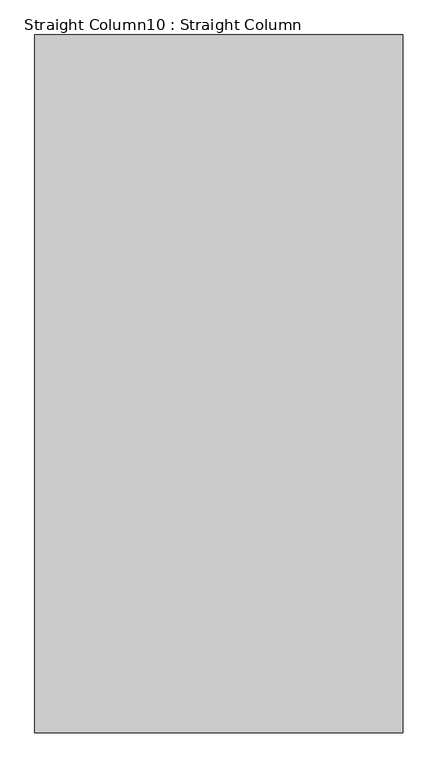
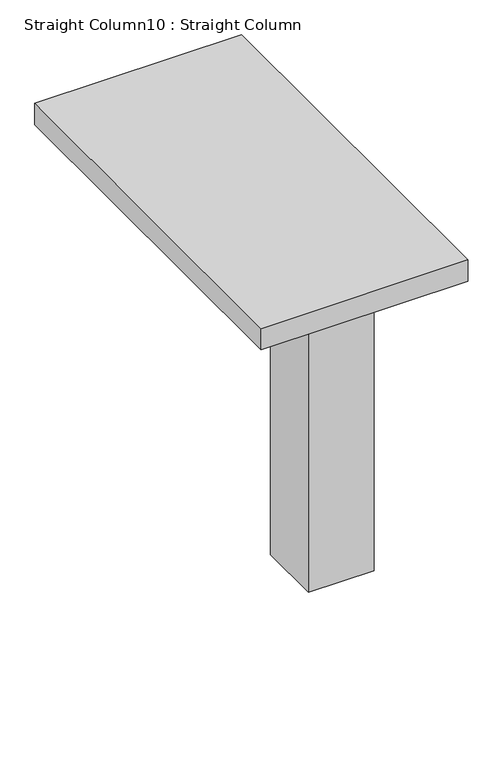
"""IFC4 building model written with IfcOpenShell, lengths in millimetres: column geometry, Straight Column10 : Straight Column."""

from ifc_helpers import new_model, si_unit, frame, origin, origin_with_axes, place, context, project, spatial, polyline, outline, extrude, source, transform, mapped, element, save


def straight_column10_straight_column_0baf0599(model_context):
    return source(origin(), model_context, "Body", "SweptSolid", [
        extrude(outline(polyline([(17831.4351689, 8229.6), (16383.636714, 8229.6), (16383.636714, 10972.8), (17831.4351689, 10972.8), (17831.4351689, 8229.6)])), frame((0.0, 0.0, 2832.1), z_axis=(0.0, 0.0, 1.0), x_axis=(1.0, 0.0, 0.0)), (0.0, 0.0, 1.0), 158.75),
        extrude(outline(polyline([(17831.4351689, 9372.6), (17374.2351689, 9372.6), (17374.2351689, 9829.8), (17831.4351689, 9829.8), (17831.4351689, 9372.6)])), origin_with_axes(), (0.0, 0.0, 1.0), 2832.1),
    ])


if __name__ == "__main__":
    model = new_model("IFC4")
    model_context = context("Model", 3, world=origin())
    ifc_project = project(units=[si_unit("LENGTHUNIT", "METRE", prefix="MILLI")], contexts=[model_context])
    site = spatial("IfcSite", under=ifc_project)
    building = spatial("IfcBuilding", under=site)
    placement = place(None, origin())
    straight_column10_straight_column_shape = straight_column10_straight_column_0baf0599(model_context)
    element("IfcColumn", 1, ObjectType="Straight Column10 : Straight Column", at=placement, inside=building, context=model_context, shape_type="MappedRepresentation", body=[
        mapped(straight_column10_straight_column_shape, transform((0.0, 0.0, 0.0), x_axis=(1.0, 0.0, 0.0), y_axis=(0.0, 1.0, 0.0), z_axis=(0.0, 0.0, 1.0))),
    ])
    save(model, "model.ifc")
